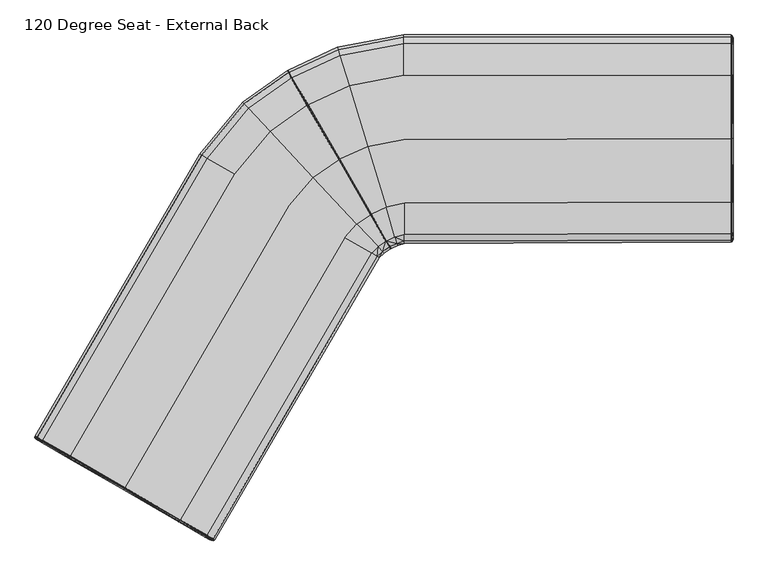
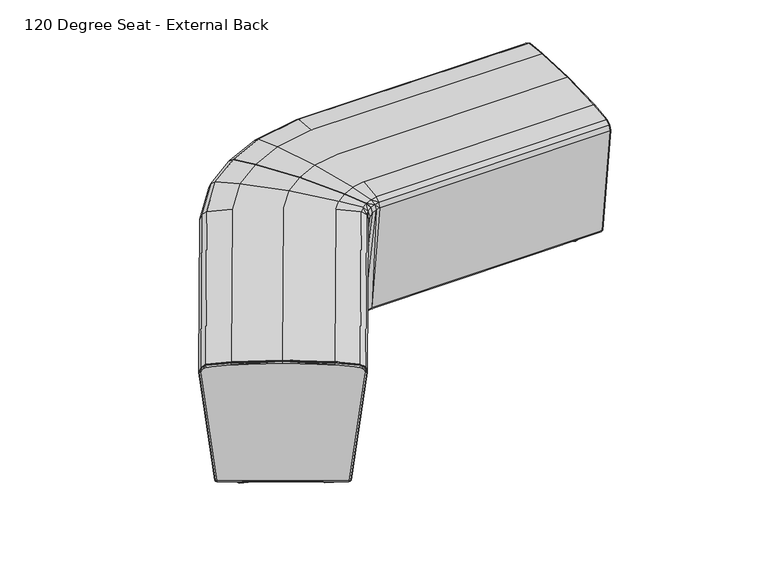
"""IFC4 building model written with IfcOpenShell, lengths in millimetres: furniture geometry, 120 Degree Seat - External Back."""

from ifc_helpers import new_model, si_unit, origin, place, context, project, spatial, triangles, source, transform, mapped, element, save


def furniture_120_degree_seat_external_back_85f59314(model_context):
    return source(origin(), model_context, "Body", "Tessellation", [
        triangles([(-593.9837657, -541.9743676, 442.9703816), (-592.7665798, -542.676941, 455.8125484), (-727.1537985, -465.0881813, 462.1905021), (-727.0621616, -465.1412667, 449.7642983), (-511.5222293, -589.5835619, 434.8374478), (-515.3991002, -587.3452901, 447.8814918), (-553.7024672, -565.2309786, 36.5374864), (-553.3739262, -563.5333714, 31.6343495), (-550.0601023, -565.4466268, 32.8510358), (-548.6111718, -566.2830946, 36.5010583), (-591.9280772, -543.1609594, 464.5591802), (-590.784615, -541.9342538, 469.4478353), (-725.5397982, -462.5046181, 474.8201091), (-727.0621616, -465.1412667, 471.3271537), (-506.4066622, -590.6497759, 435.030968), (-526.1278058, -581.1512641, 456.3931815), (-524.1137572, -580.4267444, 461.1643656), (-620.506311, -526.6617485, 36.5181561), (-620.01528, -525.0581037, 31.6294988), (-552.4272906, -561.6049644, 30.3813214), (-548.2681332, -564.0095052, 31.9092828), (-546.4472051, -565.057697, 36.4917565), (-589.6282176, -540.1237538, 470.6976863), (-725.1106819, -461.7614585, 477.0701534), (-504.2346291, -589.426086, 435.0804563), (-522.734699, -578.7448703, 462.3842039), (-619.0257328, -523.151643, 30.3797227), (-510.8424379, -588.0891764, 451.2600646), (-725.5717003, -462.560574, 31.6342678), (-727.0619436, -465.1413031, 36.5340663), (-725.1649664, -461.8560385, 30.4469878), (-861.4003281, -387.5811027, 455.9256228), (-860.1403759, -388.3082748, 442.9702), (-938.1382313, -343.2763578, 446.8085921), (-942.6020576, -340.6993712, 434.8373752), (-900.4215654, -365.0520999, 36.537475), (-903.8784765, -361.1688704, 36.5010469), (-902.4294371, -362.0054109, 32.8510244), (-899.1156858, -363.9187752, 31.6343382), (-862.1960644, -387.1214287, 464.5591802), (-861.705106, -385.5179655, 469.4478353), (-946.0833132, -336.8020437, 435.0308953), (-927.9961905, -349.1317054, 456.3932178), (-928.3759638, -347.0254386, 461.1643656), (-833.6178669, -403.621112, 36.5181539), (-832.4744047, -402.394043, 31.6294942), (-902.0809845, -359.7349826, 31.9092714), (-897.9191746, -362.1347271, 30.3812647), (-903.8992601, -358.6821035, 36.4917452), (-860.7154861, -383.6115048, 470.6976863), (-946.1092564, -334.3091363, 435.0803836), (-927.6089321, -344.9903157, 462.3842402), (-831.3180799, -400.58387, 30.3797159), (-940.9267239, -339.7792966, 450.9511082), (-938.0042278, -343.3538604, 447.5725353), (-938.7705328, -342.586211, 446.6557672), (-508.813274, -586.7828608, 452.12382), (-940.8098705, -337.3687606, 451.8149363), (-588.4713115, -538.1783784, 471.0774233), (-183.6371195, 156.9878195, 471.0773506), (-319.1900373, 235.2842759, 477.865054), (-724.0404711, -459.9079016, 477.865054), (-502.7692752, -587.6593698, 435.0954989), (-97.945366, 107.4903321, 435.0954989), (-102.5668862, 110.1599366, 452.3862313), (-507.3913768, -584.9906373, 452.3862677), (-116.6840387, 118.3144715, 462.7547482), (-521.5103188, -576.8388093, 462.7547482), (-552.2616031, -560.3632888, 32.7929475), (-549.0846531, -562.186942, 33.7382409), (-547.8907216, -562.8867903, 37.2589562), (-589.1820239, -538.9581273, 468.2679654), (-724.521183, -460.7404816, 475.0556688), (-505.7625154, -587.1971887, 434.9854403), (-522.7392772, -577.3956067, 460.040924), (-618.4635578, -522.1212553, 32.8247292), (-724.579755, -460.8425466, 32.8236823), (-900.0943325, -359.5309979, 33.7382295), (-896.9267206, -361.3700935, 32.7929361), (-901.2972387, -358.8467374, 37.2589449), (-859.9291243, -382.6418329, 468.2679654), (-943.4149441, -334.5177355, 434.9853312), (-926.4378553, -344.3195354, 460.0409603), (-830.7068527, -399.581751, 32.8247247), (-617.919405, -521.1767635, 29.9999471), (-724.0401077, -459.9077199, 29.9999698), (-544.9818875, -563.2872746, 36.4888974), (-551.3324083, -559.6209286, 29.999997), (-546.9138554, -562.1719357, 31.6221864), (-830.1611012, -398.6383856, 29.9999902), (-903.0985823, -356.5275839, 36.488886), (-945.311558, -332.1563971, 435.0953899), (-926.5704054, -342.9767395, 462.7547482), (-859.6093037, -381.6364074, 471.0774233), (-901.1666508, -357.6429955, 31.622175), (-896.7482431, -360.1940025, 29.9999403), (-509.851292, -584.8048928, 450.6468753), (-938.5781027, -337.2788315, 450.3379915), (-939.9687881, -335.2412015, 452.0773112), (-146.5026765, 135.5381023, 29.9999743), (-142.0846322, 132.9862322, 31.6221637), (-425.2980228, 296.5740849, 29.9999425), (-319.1897103, 235.2844394, 29.9999471), (-454.7427009, 313.5816951, 471.0773143), (-521.6957362, 352.2542255, 462.7547118), (-502.5924328, 341.3029681, 36.4888656), (-500.6606466, 340.1871205, 31.6221523), (-213.081743, 173.9950845, 29.9999017), (-540.4347814, 363.0781651, 435.0953899), (-535.0925202, 359.992307, 452.0772749), (-140.1528551, 131.8705936, 36.4888747), (-153.0636041, 190.3504815, 471.0778956), (-120.6168292, 212.8979788, 471.0775686), (-198.1713704, 348.4077307, 477.865054), (-260.0063315, 304.6682493, 477.865054), (-85.6834237, 118.8779637, 435.0952809), (-71.3103548, 128.9385869, 435.0954263), (-73.9444963, 133.496866, 452.386522), (-89.3295129, 122.7754729, 452.3867764), (-81.9959398, 147.438575, 462.7550752), (-100.467296, 134.6813323, 462.7552568), (-123.99106, 159.8285073, 30.000483), (-99.2177629, 177.0751472, 30.00024), (-96.6924356, 172.7045382, 31.6224294), (-120.5057168, 156.1027536, 31.6226701), (-343.7191724, 394.1539209, 30.0000061), (-259.1173415, 453.9698193, 29.999661), (-198.1713886, 348.407658, 29.9999584), (-260.0061862, 304.6682857, 29.999963), (-366.9490045, 418.9860535, 471.0773143), (-276.0301173, 483.2636344, 471.0770236), (-314.4869087, 549.8747211, 462.7543848), (-419.7705986, 475.4504485, 462.7547482), (-401.2557404, 455.658161, 36.4888747), (-301.0026482, 526.5285808, 36.4885545), (-299.8953393, 524.6051517, 31.6218207), (-399.7316691, 454.0289363, 31.6221682), (-137.4422738, 242.0402407, 30.0001606), (-176.2938722, 215.182614, 30.0004808), (-434.5544709, 491.253808, 435.0954626), (-325.2466807, 568.5208941, 435.0953899), (-430.3397209, 486.7484508, 452.0773112), (-322.1797894, 563.2047215, 452.0769115), (-95.5868799, 170.7946076, 36.4891858), (-118.9813821, 154.4736016, 36.4894265), (-496.242784, 337.6352777, 29.9999176), (-396.2464168, 450.3031826, 29.9999312), (-297.3598836, 520.208436, 29.9996064), (773.3979235, 247.4835131, 442.970527), (773.3977781, 401.1493515, 449.7644073), (773.3976328, 401.255159, 462.1906111), (773.3977781, 246.0780756, 455.8126937), (773.3979235, 152.2650428, 434.8375932), (773.3981415, 156.7416318, 447.8815644), (773.3981415, 200.9706545, 36.5376067), (771.7635756, 196.0353453, 36.5011764), (771.7637209, 197.7083536, 32.8511607), (771.7637209, 201.5348642, 31.6344653), (773.3977781, 245.1098389, 464.5593255), (773.3977781, 401.1493515, 471.3272627), (770.3530512, 401.1492788, 474.8202181), (771.7635756, 244.7329906, 469.4479806), (771.7635756, 147.301692, 435.0310407), (773.3981415, 169.1301016, 456.3933269), (771.7637209, 167.7481366, 461.1644382), (773.3981415, 278.1090056, 36.518272), (771.7637209, 278.4855633, 31.6296191), (769.6231539, 196.8750651, 31.9094031), (769.6202471, 201.6792595, 30.3814441), (769.6204651, 194.7739942, 36.4918746), (769.494964, 401.1491698, 477.0702624), (769.6175583, 244.6367573, 470.6977953), (769.6177036, 146.0325289, 435.0806016), (769.6175583, 167.3947424, 462.3843493), (769.6179216, 278.5818874, 30.3798385), (771.7639389, 152.4235087, 451.2602099), (770.4175821, 401.1489882, 31.6344017), (773.3977781, 401.1491698, 36.5342003), (769.6040417, 401.1489882, 30.4471173), (773.3976328, 554.8149356, 442.9703816), (773.3977781, 556.2696433, 455.9257318), (773.3979961, 650.0331425, 434.8375205), (773.3977781, 644.8790966, 446.8087375), (773.3977781, 601.3275398, 36.5376203), (771.7633575, 600.7631847, 31.634479), (771.7633575, 604.5898044, 32.8511698), (771.7633575, 606.2629944, 36.5011877), (773.3976328, 557.1886279, 464.5593255), (771.7636482, 557.5652038, 469.4479806), (771.7633575, 654.996793, 435.0310407), (773.3976328, 633.1680382, 456.3933632), (771.7636482, 634.5500759, 461.1645109), (773.3977781, 524.1894067, 36.5182992), (771.7633575, 523.8126492, 31.6296441), (769.6201017, 600.6190802, 30.3814077), (769.6228632, 605.4231474, 31.9094145), (769.6201017, 607.5242909, 36.4918859), (769.617631, 557.6614188, 470.6977953), (769.6174129, 656.2657562, 435.0805289), (769.6174129, 634.9033974, 462.3843493), (769.6174129, 523.7163251, 30.3798658), (773.3979961, 644.7241642, 447.5726807), (771.7633575, 649.0425053, 450.9512535), (773.1164, 645.771702, 446.6559125), (769.6181396, 151.3194428, 452.1238927), (769.6174129, 650.1465076, 451.8150089), (767.3543243, 244.607544, 471.077496), (767.3547604, 401.1491698, 477.8651994), (-37.1245258, 398.1347826, 477.865054), (-37.0944064, 241.5942468, 471.0773506), (767.355051, 145.6469147, 435.0956079), (767.3549057, 150.9841798, 452.386413), (-37.0754236, 147.9714095, 452.3862313), (-37.0742632, 142.6342443, 435.0954989), (767.3547604, 167.2873725, 462.7548572), (-37.0789141, 164.274475, 462.7547845), (768.4530945, 198.4935164, 33.7383635), (768.4621782, 202.1566104, 32.7930678), (768.4621782, 197.109553, 37.2590766), (768.3159662, 401.1491698, 475.0557778), (768.3848574, 244.8331843, 468.2681108), (768.4513504, 148.4702253, 434.9855129), (768.4514957, 168.0733347, 460.0410693), (768.4445194, 278.610265, 32.8248451), (768.4337643, 401.1488791, 32.8238163), (768.4616695, 600.1418927, 32.7930815), (768.4527311, 603.8047142, 33.7383749), (768.4616695, 605.188605, 37.2590879), (768.3847847, 557.4652462, 468.2681471), (768.4510597, 653.8281143, 434.9854766), (768.4510597, 634.2246597, 460.0410693), (768.4437927, 523.6879475, 32.82487), (767.3544697, 278.6112642, 30.0000652), (767.354397, 401.1489882, 30.0001038), (767.3544697, 194.3902059, 36.4890178), (767.3547604, 201.7231522, 30.0001197), (767.3547604, 196.6210653, 31.622309), (767.3540337, 523.6871118, 30.0001401), (767.3540337, 607.9082428, 36.4890291), (767.354397, 656.6513432, 435.0955353), (767.354397, 635.0107309, 462.7549298), (767.3540337, 557.6909228, 471.0775323), (767.3540337, 605.6773833, 31.6223204), (767.3540337, 600.5754418, 30.0000856), (768.4240265, 153.2073998, 450.6469843), (768.4236631, 648.2587595, 450.3380642), (767.354397, 650.4818796, 452.0774566), (-37.0846346, 193.6079862, 31.6221818), (-37.0856043, 198.7100548, 29.9999925), (-37.1248279, 398.1346009, 29.9999743), (-37.1490429, 523.6880201, 29.999988), (-37.1705328, 635.0110216, 462.7547845), (-37.1558103, 557.6916495, 471.077387), (-37.2376889, 610.7605396, 31.6221932), (-37.2380772, 612.9913628, 36.4889019), (-37.1008104, 275.5977127, 29.999938), (-37.1747908, 656.6513432, 435.0954263), (-37.1735327, 650.4818796, 452.0773112), (-37.0843439, 191.3771994, 36.4888906), (-81.2741725, 231.7980969, 471.0778593), (-126.8047055, 381.5722034, 477.865054), (-195.6021595, 349.891143, 477.865054), (-118.0493533, 214.3842979, 471.0775686), (-53.0671869, 137.7089, 435.0952809), (-54.6195086, 142.8152744, 452.3868127), (-71.3802133, 134.9755548, 452.386522), (-68.7496599, 130.4150229, 435.0954263), (-59.3613703, 158.4138044, 462.7553295), (-79.4273012, 148.9200253, 462.7550752), (-69.3775331, 191.3596496, 30.0004808), (-67.8936075, 186.4783886, 31.6226678), (-94.1273759, 174.1851892, 31.6224294), (-96.6487337, 178.5579782, 30.00024), (-162.4450809, 498.8124673, 30.0000175), (-126.8048326, 381.5720581, 29.9999789), (-195.6021777, 349.8910704, 29.9999584), (-256.5481124, 455.4532316, 29.999661), (-172.3354474, 531.3462009, 471.0774233), (-194.8241728, 605.3232625, 462.7547845), (-311.9194419, 551.3569708, 462.7543848), (-273.4609609, 484.7469378, 471.0770236), (-186.9409694, 579.3927958, 36.4889087), (-186.2920628, 577.2582968, 31.6222023), (-297.33107, 526.0856572, 31.6218207), (-298.4431932, 528.0063249, 36.4885522), (-91.1640848, 264.3322666, 30.0004739), (-134.8744073, 243.5260875, 30.0001606), (-201.1184471, 626.0282124, 435.0954626), (-322.687571, 569.9983838, 435.0953899), (-199.323989, 620.125375, 452.0772749), (-319.6170825, 564.6842096, 452.0769115), (-67.2448144, 184.3436897, 36.4894243), (-93.0260896, 172.2728059, 36.4891858), (-184.8081418, 572.3770904, 29.999963), (-37.2366238, 605.6586345, 29.9999562), (-294.7911633, 521.6914487, 29.9996064), (-119.4598322, 213.8598932, 469.3756376), (-196.9549839, 349.2681069, 476.1582178), (-70.9444796, 131.2622096, 434.9457261), (-73.4054758, 135.5249581, 451.356098), (-81.0569437, 148.7766928, 461.1458711), (-98.1284944, 178.1537878, 31.6865924), (-96.0406403, 174.5374206, 32.8973765), (-257.9010458, 454.8297958, 31.7065562), (-196.9550021, 349.2681069, 31.7068537), (-274.7492725, 484.0118082, 469.3750563), (-312.972975, 550.2171421, 461.1552455), (-298.9693966, 525.9622999, 36.9511466), (-298.1146341, 524.4818307, 32.8981237), (-136.2182206, 242.8864463, 31.7070558), (-323.1870681, 567.9085404, 434.9031778), (-320.2899339, 562.8905328, 451.0364954), (-95.1913644, 173.0669435, 36.9504949), (-296.0122551, 520.8404105, 31.6861087)], [[1, 2, 3], [1, 3, 4], [5, 6, 2], [5, 2, 1], [7, 8, 9], [7, 9, 10], [11, 12, 13], [11, 13, 14], [7, 10, 15], [7, 15, 5], [16, 17, 12], [16, 12, 11], [18, 19, 8], [18, 8, 7], [8, 20, 21], [8, 21, 9], [9, 21, 22], [9, 22, 10], [12, 23, 24], [12, 24, 13], [10, 22, 25], [10, 25, 15], [17, 26, 23], [17, 23, 12], [19, 27, 20], [19, 20, 8], [17, 16, 6], [17, 6, 28], [28, 6, 5], [28, 5, 15], [29, 19, 18], [29, 18, 30], [27, 19, 29], [27, 29, 31], [4, 3, 32], [4, 32, 33], [33, 32, 34], [33, 34, 35], [36, 37, 38], [36, 38, 39], [40, 14, 13], [40, 13, 41], [36, 35, 42], [36, 42, 37], [43, 40, 41], [43, 41, 44], [45, 36, 39], [45, 39, 46], [39, 38, 47], [39, 47, 48], [38, 37, 49], [38, 49, 47], [41, 13, 24], [41, 24, 50], [37, 42, 51], [37, 51, 49], [44, 41, 50], [44, 50, 52], [46, 39, 48], [46, 48, 53], [44, 54, 55], [44, 55, 43], [56, 54, 42], [56, 42, 35], [35, 34, 56], [29, 30, 45], [29, 45, 46], [29, 46, 53], [29, 53, 31], [28, 15, 25], [28, 25, 57], [17, 28, 57], [17, 57, 26], [42, 54, 58], [42, 58, 51], [54, 44, 52], [54, 52, 58], [59, 60, 61], [59, 61, 62], [63, 64, 65], [63, 65, 66], [66, 65, 67], [66, 67, 68], [20, 69, 70], [20, 70, 21], [21, 70, 71], [21, 71, 22], [23, 72, 73], [23, 73, 24], [22, 71, 74], [22, 74, 25], [26, 75, 72], [26, 72, 23], [27, 76, 69], [27, 69, 20], [31, 77, 76], [31, 76, 27], [47, 78, 79], [47, 79, 48], [49, 80, 78], [49, 78, 47], [24, 73, 81], [24, 81, 50], [51, 82, 80], [51, 80, 49], [50, 81, 83], [50, 83, 52], [48, 79, 84], [48, 84, 53], [53, 84, 77], [53, 77, 31], [85, 76, 77], [85, 77, 86], [63, 74, 71], [63, 71, 87], [59, 72, 75], [59, 75, 68], [88, 69, 76], [88, 76, 85], [89, 70, 69], [89, 69, 88], [86, 77, 84], [86, 84, 90], [91, 80, 82], [91, 82, 92], [93, 83, 81], [93, 81, 94], [95, 78, 80], [95, 80, 91], [96, 79, 78], [96, 78, 95], [94, 81, 73], [94, 73, 62], [25, 74, 97], [25, 97, 57], [57, 97, 75], [57, 75, 26], [58, 98, 82], [58, 82, 51], [52, 83, 98], [52, 98, 58], [87, 71, 70], [87, 70, 89], [62, 73, 72], [62, 72, 59], [90, 84, 79], [90, 79, 96], [66, 97, 74], [66, 74, 63], [68, 75, 97], [68, 97, 66], [92, 82, 98], [92, 98, 99], [99, 98, 83], [99, 83, 93], [6, 16, 11], [6, 11, 2], [2, 11, 14], [2, 14, 3], [3, 14, 40], [3, 40, 32], [32, 40, 43], [32, 43, 55], [32, 55, 34], [34, 55, 54], [34, 54, 56], [35, 36, 45], [35, 45, 33], [33, 45, 30], [33, 30, 4], [4, 30, 18], [4, 18, 1], [1, 18, 7], [1, 7, 5], [89, 88, 100], [89, 100, 101], [86, 90, 102], [86, 102, 103], [93, 94, 104], [93, 104, 105], [95, 91, 106], [95, 106, 107], [94, 62, 61], [94, 61, 104], [85, 86, 103], [85, 103, 108], [88, 85, 108], [88, 108, 100], [91, 92, 109], [91, 109, 106], [92, 99, 110], [92, 110, 109], [87, 89, 101], [87, 101, 111], [99, 93, 105], [99, 105, 110], [112, 113, 114], [112, 114, 115], [116, 117, 118], [116, 118, 119], [119, 118, 120], [119, 120, 121], [122, 123, 124], [122, 124, 125], [126, 127, 128], [126, 128, 129], [130, 131, 132], [130, 132, 133], [134, 135, 136], [134, 136, 137], [115, 114, 131], [115, 131, 130], [129, 128, 138], [129, 138, 139], [139, 138, 123], [139, 123, 122], [140, 141, 135], [140, 135, 134], [142, 143, 141], [142, 141, 140], [125, 124, 144], [125, 144, 145], [133, 132, 143], [133, 143, 142], [126, 102, 146], [126, 146, 147], [116, 64, 111], [116, 111, 145], [147, 146, 107], [147, 107, 137], [112, 60, 67], [112, 67, 121], [60, 112, 115], [60, 115, 61], [64, 116, 119], [64, 119, 65], [65, 119, 121], [65, 121, 67], [100, 122, 125], [100, 125, 101], [102, 126, 129], [102, 129, 103], [104, 130, 133], [104, 133, 105], [106, 134, 137], [106, 137, 107], [61, 115, 130], [61, 130, 104], [103, 129, 139], [103, 139, 108], [108, 139, 122], [108, 122, 100], [109, 140, 134], [109, 134, 106], [110, 142, 140], [110, 140, 109], [101, 125, 145], [101, 145, 111], [105, 133, 142], [105, 142, 110], [102, 90, 96], [102, 96, 146], [64, 63, 87], [64, 87, 111], [146, 96, 95], [146, 95, 107], [60, 59, 68], [60, 68, 67], [127, 126, 147], [127, 147, 148], [117, 116, 145], [117, 145, 144], [148, 147, 137], [148, 137, 136], [113, 112, 121], [113, 121, 120], [149, 150, 151], [149, 151, 152], [153, 149, 152], [153, 152, 154], [155, 156, 157], [155, 157, 158], [159, 160, 161], [159, 161, 162], [155, 153, 163], [155, 163, 156], [164, 159, 162], [164, 162, 165], [166, 155, 158], [166, 158, 167], [158, 157, 168], [158, 168, 169], [157, 156, 170], [157, 170, 168], [162, 161, 171], [162, 171, 172], [156, 163, 173], [156, 173, 170], [165, 162, 172], [165, 172, 174], [167, 158, 169], [167, 169, 175], [165, 176, 154], [165, 154, 164], [176, 163, 153], [176, 153, 154], [177, 178, 166], [177, 166, 167], [175, 179, 177], [175, 177, 167], [150, 180, 181], [150, 181, 151], [180, 182, 183], [180, 183, 181], [184, 185, 186], [184, 186, 187], [188, 189, 161], [188, 161, 160], [184, 187, 190], [184, 190, 182], [191, 192, 189], [191, 189, 188], [193, 194, 185], [193, 185, 184], [185, 195, 196], [185, 196, 186], [186, 196, 197], [186, 197, 187], [189, 198, 171], [189, 171, 161], [187, 197, 199], [187, 199, 190], [192, 200, 198], [192, 198, 189], [194, 201, 195], [194, 195, 185], [192, 191, 202], [192, 202, 203], [204, 183, 182], [182, 190, 203], [182, 203, 204], [177, 194, 193], [177, 193, 178], [177, 179, 201], [177, 201, 194], [176, 205, 173], [176, 173, 163], [165, 174, 205], [165, 205, 176], [190, 199, 206], [190, 206, 203], [203, 206, 200], [203, 200, 192], [207, 208, 209], [207, 209, 210], [211, 212, 213], [211, 213, 214], [212, 215, 216], [212, 216, 213], [169, 168, 217], [169, 217, 218], [168, 170, 219], [168, 219, 217], [172, 171, 220], [172, 220, 221], [170, 173, 222], [170, 222, 219], [174, 172, 221], [174, 221, 223], [175, 169, 218], [175, 218, 224], [179, 175, 224], [179, 224, 225], [196, 195, 226], [196, 226, 227], [197, 196, 227], [197, 227, 228], [171, 198, 229], [171, 229, 220], [199, 197, 228], [199, 228, 230], [198, 200, 231], [198, 231, 229], [195, 201, 232], [195, 232, 226], [201, 179, 225], [201, 225, 232], [233, 234, 225], [233, 225, 224], [211, 235, 219], [211, 219, 222], [207, 215, 223], [207, 223, 221], [236, 233, 224], [236, 224, 218], [237, 236, 218], [237, 218, 217], [234, 238, 232], [234, 232, 225], [239, 240, 230], [239, 230, 228], [241, 242, 229], [241, 229, 231], [243, 239, 228], [243, 228, 227], [244, 243, 227], [244, 227, 226], [242, 208, 220], [242, 220, 229], [173, 205, 245], [173, 245, 222], [205, 174, 223], [205, 223, 245], [206, 199, 230], [206, 230, 246], [200, 206, 246], [200, 246, 231], [235, 237, 217], [235, 217, 219], [208, 207, 221], [208, 221, 220], [238, 244, 226], [238, 226, 232], [212, 211, 222], [212, 222, 245], [215, 212, 245], [215, 245, 223], [240, 247, 246], [240, 246, 230], [247, 241, 231], [247, 231, 246], [154, 152, 159], [154, 159, 164], [152, 151, 160], [152, 160, 159], [151, 181, 188], [151, 188, 160], [181, 183, 202], [181, 202, 191], [181, 191, 188], [183, 204, 203], [183, 203, 202], [182, 180, 193], [182, 193, 184], [180, 150, 178], [180, 178, 193], [150, 149, 166], [150, 166, 178], [149, 153, 155], [149, 155, 166], [237, 248, 249], [237, 249, 236], [234, 250, 251], [234, 251, 238], [241, 252, 253], [241, 253, 242], [243, 254, 255], [243, 255, 239], [242, 253, 209], [242, 209, 208], [233, 256, 250], [233, 250, 234], [236, 249, 256], [236, 256, 233], [239, 255, 257], [239, 257, 240], [240, 257, 258], [240, 258, 247], [235, 259, 248], [235, 248, 237], [247, 258, 252], [247, 252, 241], [260, 261, 262], [260, 262, 263], [264, 265, 266], [264, 266, 267], [265, 268, 269], [265, 269, 266], [270, 271, 272], [270, 272, 273], [274, 275, 276], [274, 276, 277], [278, 279, 280], [278, 280, 281], [282, 283, 284], [282, 284, 285], [261, 278, 281], [261, 281, 262], [275, 286, 287], [275, 287, 276], [286, 270, 273], [286, 273, 287], [288, 282, 285], [288, 285, 289], [290, 288, 289], [290, 289, 291], [271, 292, 293], [271, 293, 272], [279, 290, 291], [279, 291, 280], [274, 294, 295], [274, 295, 251], [264, 292, 259], [264, 259, 214], [294, 283, 254], [294, 254, 295], [260, 268, 216], [260, 216, 210], [210, 209, 261], [210, 261, 260], [214, 213, 265], [214, 265, 264], [213, 216, 268], [213, 268, 265], [249, 248, 271], [249, 271, 270], [251, 250, 275], [251, 275, 274], [253, 252, 279], [253, 279, 278], [255, 254, 283], [255, 283, 282], [209, 253, 278], [209, 278, 261], [250, 256, 286], [250, 286, 275], [256, 249, 270], [256, 270, 286], [257, 255, 282], [257, 282, 288], [258, 257, 288], [258, 288, 290], [248, 259, 292], [248, 292, 271], [252, 258, 290], [252, 290, 279], [251, 295, 244], [251, 244, 238], [214, 259, 235], [214, 235, 211], [295, 254, 243], [295, 243, 244], [210, 216, 215], [210, 215, 207], [296, 294, 274], [296, 274, 277], [293, 292, 264], [293, 264, 267], [284, 283, 294], [284, 294, 296], [269, 268, 260], [269, 260, 263], [113, 297, 298], [113, 298, 114], [117, 299, 300], [117, 300, 118], [118, 300, 301], [118, 301, 120], [123, 302, 303], [123, 303, 124], [127, 304, 305], [127, 305, 128], [131, 306, 307], [131, 307, 132], [135, 308, 309], [135, 309, 136], [114, 298, 306], [114, 306, 131], [128, 305, 310], [128, 310, 138], [138, 310, 302], [138, 302, 123], [141, 311, 308], [141, 308, 135], [143, 312, 311], [143, 311, 141], [124, 303, 313], [124, 313, 144], [132, 307, 312], [132, 312, 143], [148, 314, 304], [148, 304, 127], [144, 313, 299], [144, 299, 117], [136, 309, 314], [136, 314, 148], [120, 301, 297], [120, 297, 113], [262, 298, 297], [262, 297, 263], [266, 300, 299], [266, 299, 267], [269, 301, 300], [269, 300, 266], [272, 303, 302], [272, 302, 273], [276, 305, 304], [276, 304, 277], [280, 307, 306], [280, 306, 281], [284, 309, 308], [284, 308, 285], [281, 306, 298], [281, 298, 262], [287, 310, 305], [287, 305, 276], [273, 302, 310], [273, 310, 287], [285, 308, 311], [285, 311, 289], [289, 311, 312], [289, 312, 291], [293, 313, 303], [293, 303, 272], [291, 312, 307], [291, 307, 280], [277, 304, 314], [277, 314, 296], [267, 299, 313], [267, 313, 293], [296, 314, 309], [296, 309, 284], [263, 297, 301], [263, 301, 269]]),
        triangles([(-536.9623189, -467.6360272, 0.0003759), (-547.1721972, -442.9872411, 0.000374), (-547.1721972, -442.9872411, 30.0003218), (-536.9623189, -467.6360272, 30.0003241), (-571.8209833, -432.7773992, 0.0003737), (-571.8209833, -432.7773992, 30.0003195), (-596.4697695, -442.9872411, 0.0003752), (-596.4697695, -442.9872411, 30.0003218), (-606.6796114, -467.6360272, 0.0003776), (-606.6796114, -467.6360272, 30.0003263), (-596.4696968, -492.2848134, 0.0003795), (-596.4696968, -492.2848134, 30.0003263), (-571.8209833, -502.494619, 0.0003798), (-571.8209833, -502.494619, 30.0003263), (-547.1721972, -492.2848134, 0.0003783), (-547.1721972, -492.2848134, 30.0003263), (-571.8209833, -467.6360272, 30.0003218), (-571.8209833, -467.6360272, 0.0003767), (733.1462379, 265.4074735, 0.000379), (722.936396, 290.0562233, 0.0003771), (722.936396, 290.0562233, 30.0003241), (733.1462379, 265.4074735, 30.0003263), (698.2876099, 300.2660834, 0.0003768), (698.2876099, 300.2660834, 30.0003218), (673.6388237, 290.0562233, 0.0003782), (673.6388237, 290.0562233, 30.0003263), (663.4289818, 265.4074735, 0.0003806), (663.4289818, 265.4074735, 30.0003263), (673.6388964, 240.7587237, 0.0003825), (673.6388964, 240.7587237, 30.0003286), (698.2876099, 230.5488454, 0.0003829), (698.2876099, 230.5488454, 30.0003263), (722.936396, 240.7587237, 0.0003814), (722.936396, 240.7587237, 30.0003286), (698.2876099, 265.4074735, 30.0003263), (698.2876099, 265.4074735, 0.0003798), (673.5614302, 511.4335356, 0.0003589), (698.2101437, 501.2236937, 0.0003592), (698.2101437, 501.2236937, 30.0003059), (673.5614302, 511.4335356, 30.0003059), (722.8589298, 511.4335356, 0.0003577), (722.8589298, 511.4335356, 30.0003059), (733.0687717, 536.0823217, 0.0003553), (733.0687717, 536.0823217, 30.0003036), (722.8589298, 560.7311079, 30.0003014), (698.2101437, 570.9409862, 30.0002968), (698.2101437, 536.0823217, 30.0003014), (673.5613575, 560.7311079, 30.0003014), (663.3515156, 536.0823217, 30.0003036), (698.2101437, 536.0823217, 0.0003561), (663.3515156, 536.0823217, 0.000357), (673.5613575, 560.7311079, 0.0003546), (698.2101437, 570.9409862, 0.0003531), (722.8589298, 560.7311079, 0.0003534), (-224.1247463, 454.5021269, 0.0003849), (-234.3346064, 479.150913, 0.000383), (-234.3346064, 479.150913, 30.0003286), (-224.1247463, 454.5021269, 30.0003309), (-258.9833744, 489.360755, 0.0003827), (-258.9833744, 489.360755, 30.0003263), (-283.6321605, 479.150913, 0.0003841), (-283.6321605, 479.150913, 30.0003309), (-293.8419843, 454.5021269, 0.0003865), (-293.8419843, 454.5021269, 30.0003331), (-283.6321605, 429.8533407, 0.0003884), (-283.6321605, 429.8533407, 30.0003354), (-258.9833744, 419.6434988, 0.0003887), (-258.9833744, 419.6434988, 30.0003354), (-234.3346064, 429.8533407, 0.0003873), (-234.3346064, 429.8533407, 30.0003354), (-258.9833744, 454.5021269, 30.0003309), (-258.9833744, 454.5021269, 0.0003857), (-761.7013264, -340.0104961, 0.0004185), (-771.9110956, -315.36171, 0.0004166), (-771.9110956, -315.36171, 30.0003649), (-761.7013264, -340.0104961, 30.0003672), (-796.5598818, -305.1518681, 0.0004163), (-796.5598818, -305.1518681, 30.0003604), (-821.2086679, -315.36171, 0.0004177), (-821.2086679, -315.36171, 30.0003649), (-831.4185825, -340.0104961, 0.0004201), (-831.4185825, -340.0104961, 30.0003672), (-821.2087406, -364.659246, 0.000422), (-821.2087406, -364.659246, 30.0003672), (-796.5599545, -374.8691242, 0.0004224), (-796.5599545, -374.8691242, 30.0003672), (-771.9111683, -364.659246, 0.0004209), (-771.9111683, -364.659246, 30.0003672), (-796.5599545, -340.0104961, 30.0003649), (-796.5599545, -340.0104961, 0.0004193)], [[1, 2, 3], [1, 3, 4], [2, 5, 6], [2, 6, 3], [5, 7, 8], [5, 8, 6], [7, 9, 10], [7, 10, 8], [9, 11, 12], [9, 12, 10], [11, 13, 14], [11, 14, 12], [13, 15, 16], [13, 16, 14], [15, 1, 4], [15, 4, 16], [4, 3, 6], [4, 6, 17], [6, 8, 10], [6, 10, 17], [10, 12, 14], [10, 14, 17], [17, 14, 16], [17, 16, 4], [1, 15, 13], [1, 13, 18], [13, 11, 9], [13, 9, 18], [9, 7, 5], [9, 5, 18], [18, 5, 2], [18, 2, 1], [19, 20, 21], [19, 21, 22], [20, 23, 24], [20, 24, 21], [23, 25, 26], [23, 26, 24], [25, 27, 28], [25, 28, 26], [27, 29, 30], [27, 30, 28], [29, 31, 32], [29, 32, 30], [31, 33, 34], [31, 34, 32], [33, 19, 22], [33, 22, 34], [22, 21, 24], [22, 24, 35], [24, 26, 28], [24, 28, 35], [28, 30, 32], [28, 32, 35], [35, 32, 34], [35, 34, 22], [19, 33, 31], [19, 31, 36], [31, 29, 27], [31, 27, 36], [27, 25, 23], [27, 23, 36], [36, 23, 20], [36, 20, 19], [37, 38, 39], [37, 39, 40], [38, 41, 42], [38, 42, 39], [41, 43, 44], [41, 44, 42], [44, 45, 46], [44, 46, 47], [46, 48, 49], [46, 49, 47], [49, 40, 39], [49, 39, 47], [47, 39, 42], [47, 42, 44], [43, 41, 38], [43, 38, 50], [38, 37, 51], [38, 51, 50], [51, 52, 53], [51, 53, 50], [50, 53, 54], [50, 54, 43], [55, 56, 57], [55, 57, 58], [56, 59, 60], [56, 60, 57], [59, 61, 62], [59, 62, 60], [61, 63, 64], [61, 64, 62], [63, 65, 66], [63, 66, 64], [65, 67, 68], [65, 68, 66], [67, 69, 70], [67, 70, 68], [69, 55, 58], [69, 58, 70], [58, 57, 60], [58, 60, 71], [60, 62, 64], [60, 64, 71], [64, 66, 68], [64, 68, 71], [71, 68, 70], [71, 70, 58], [55, 69, 67], [55, 67, 72], [67, 65, 63], [67, 63, 72], [63, 61, 59], [63, 59, 72], [72, 59, 56], [72, 56, 55], [73, 74, 75], [73, 75, 76], [74, 77, 78], [74, 78, 75], [77, 79, 80], [77, 80, 78], [79, 81, 82], [79, 82, 80], [81, 83, 84], [81, 84, 82], [83, 85, 86], [83, 86, 84], [85, 87, 88], [85, 88, 86], [87, 73, 76], [87, 76, 88], [76, 75, 78], [76, 78, 89], [78, 80, 82], [78, 82, 89], [82, 84, 86], [82, 86, 89], [89, 86, 88], [89, 88, 76], [73, 87, 85], [73, 85, 90], [85, 83, 81], [85, 81, 90], [81, 79, 77], [81, 77, 90], [90, 77, 74], [90, 74, 73], [43, 54, 45], [43, 45, 44], [54, 53, 46], [54, 46, 45], [53, 52, 48], [53, 48, 46], [52, 51, 49], [52, 49, 48], [51, 37, 40], [51, 40, 49]]),
    ])


if __name__ == "__main__":
    model = new_model("IFC4")
    model_context = context("Model", 3, world=origin())
    ifc_project = project(units=[si_unit("LENGTHUNIT", "METRE", prefix="MILLI")], contexts=[model_context])
    site = spatial("IfcSite", under=ifc_project)
    building = spatial("IfcBuilding", under=site)
    placement = place(None, origin())
    furniture_120_degree_seat_external_back_shape = furniture_120_degree_seat_external_back_85f59314(model_context)
    element("IfcFurniture", 1, ObjectType="120 Degree Seat - External Back", at=placement, inside=building, context=model_context, shape_type="MappedRepresentation", body=[
        mapped(furniture_120_degree_seat_external_back_shape, transform((0.0, 0.0, 0.0), x_axis=(1.0, 0.0, 0.0), y_axis=(0.0, 1.0, 0.0), z_axis=(0.0, 0.0, 1.0))),
    ])
    save(model, "model.ifc")
